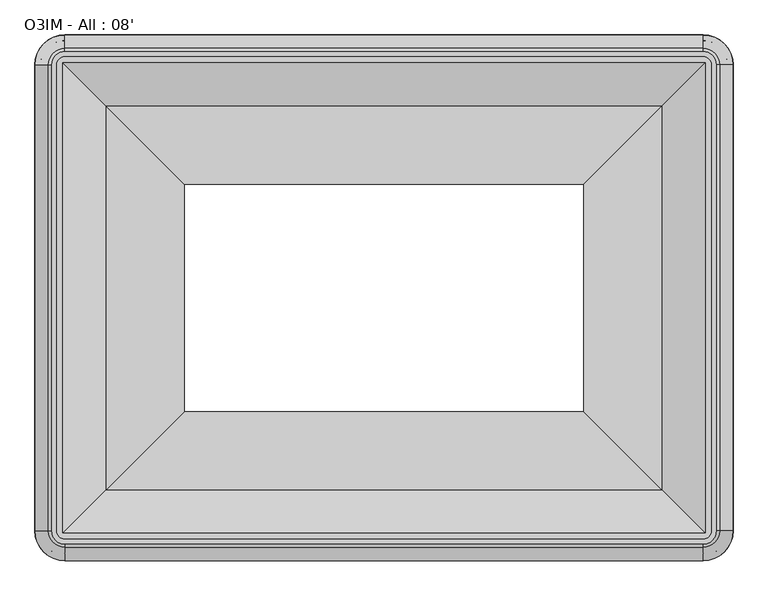
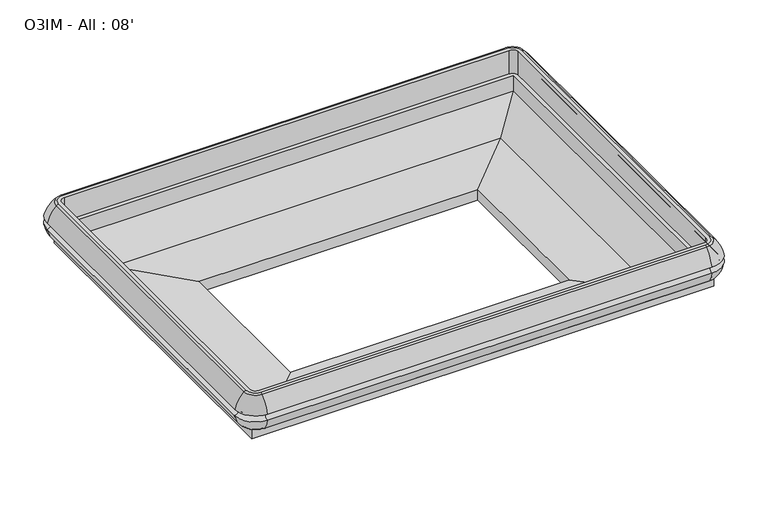
"""IFC4 building model written with IfcOpenShell, lengths in millimetres: proxy geometry, O3IM - All : 08'."""

from ifc_helpers import new_model, si_unit, point, frame, origin, place, context, project, spatial, polyline, circle_curve, ellipse_curve, trimmed, faceted_brep, source, transform, mapped, element, save
from ifc_brep_helpers import plane_surface, cylinder_surface, revolved_surface, advanced_brep


def o3im_all_08_80167665(model_context):
    return source(origin(), model_context, "Body", "SolidModel", [
        advanced_brep(
        [(2602.5474506, -2298.62165, 664.6065482), (2551.1627227, -2350.0063779, 664.6065482), (2551.1627227, -2360.7928007, 660.3792394), (2613.3338734, -2298.62165, 660.3792394), (2582.1161501, -2298.62165, 529.6852408), (2551.1627227, -2329.5750774, 529.6852408), (2551.1627227, -2329.5750774, 664.6065482), (2582.1161501, -2298.62165, 664.6065482), (2597.676808, -2298.62165, 475.7067482), (2551.1627227, -2345.1357353, 475.7067482), (2551.1627227, -2345.1357353, 529.6852408), (2597.676808, -2298.62165, 529.6852408), (2634.6137761, -2298.62165, 477.8552864), (2551.1627227, -2382.0727034, 477.8552864), (2551.1627227, -2377.311378, 475.7067482), (2629.8524507, -2298.62165, 475.7067482), (2664.7869771, -2298.62165, 541.7869334), (2551.1627227, -2412.2459044, 541.7869334), (2664.1308536, -2298.62165, 576.4502877), (2551.1627227, -2411.5897809, 576.4502877), (2613.3338734, -530.0462046, 660.3792394), (2602.5474506, -530.0462046, 664.6065482), (2582.1161501, -530.0462046, 664.6065482), (2582.1161501, -530.0462046, 529.6852408), (2597.676808, -530.0462046, 529.6852408), (2597.676808, -530.0462046, 475.7067482), (2629.8524507, -530.0462046, 475.7067482), (2634.6137761, -530.0462046, 477.8552864), (2664.7869771, -530.0462046, 541.7869334), (2664.1308536, -530.0462046, 576.4502877), (2551.1627227, -478.6614766, 664.6065482), (2551.1627227, -467.8750539, 660.3792394), (2551.1627227, -499.0927772, 529.6852408), (2551.1627227, -499.0927772, 664.6065482), (2551.1627227, -483.5321193, 475.7067482), (2551.1627227, -483.5321193, 529.6852408), (2551.1627227, -446.5951512, 477.8552864), (2551.1627227, -451.3564766, 475.7067482), (2551.1627227, -416.4219502, 541.7869334), (2551.1627227, -417.0780737, 576.4502877), (128.5372773, -467.8750539, 660.3792394), (128.5372773, -478.6614766, 664.6065482), (128.5372773, -499.0927772, 664.6065482), (128.5372773, -499.0927772, 529.6852408), (128.5372773, -483.5321193, 529.6852408), (128.5372773, -483.5321193, 475.7067482), (128.5372773, -451.3564766, 475.7067482), (128.5372773, -446.5951512, 477.8552864), (128.5372773, -416.4219502, 541.7869334), (128.5372773, -417.0780737, 576.4502877), (77.1525494, -530.0462046, 664.6065482), (66.3661266, -530.0462046, 660.3792394), (97.5838499, -530.0462046, 529.6852408), (97.5838499, -530.0462046, 664.6065482), (82.023192, -530.0462046, 475.7067482), (82.023192, -530.0462046, 529.6852408), (45.0862239, -530.0462046, 477.8552864), (49.8475493, -530.0462046, 475.7067482), (14.9130229, -530.0462046, 541.7869334), (15.5691464, -530.0462046, 576.4502877), (66.3661266, -2298.62165, 660.3792394), (77.1525494, -2298.62165, 664.6065482), (97.5838499, -2298.62165, 664.6065482), (97.5838499, -2298.62165, 529.6852408), (82.023192, -2298.62165, 529.6852408), (82.023192, -2298.62165, 475.7067482), (49.8475493, -2298.62165, 475.7067482), (45.0862239, -2298.62165, 477.8552864), (14.9130229, -2298.62165, 541.7869334), (15.5691464, -2298.62165, 576.4502877), (128.5372773, -2350.0063779, 664.6065482), (128.5372773, -2360.7928007, 660.3792394), (128.5372773, -2329.5750774, 529.6852408), (128.5372773, -2329.5750774, 664.6065482), (128.5372773, -2345.1357353, 475.7067482), (128.5372773, -2345.1357353, 529.6852408), (128.5372773, -2382.0727034, 477.8552864), (128.5372773, -2377.311378, 475.7067482), (128.5372773, -2412.2459044, 541.7869334), (128.5372773, -2411.5897809, 576.4502877)],
        [
            (0, 1, circle_curve(frame((2551.1627227, -2298.62165, 664.6065482), z_axis=(0.0, 0.0, -1.0), x_axis=(0.0, -1.0, 0.0)), 51.3847279)),
            (1, 2, circle_curve(frame((2551.1627227, -2350.0063779, 648.7315482), z_axis=(1.0, 0.0, 0.0), x_axis=(0.0, 1.0, 0.0)), 15.875)),
            (2, 3, circle_curve(frame((2551.1627227, -2298.62165, 660.3792394), z_axis=(0.0, 0.0, 1.0), x_axis=(0.0, -1.0, 0.0)), 62.1711507)),
            (3, 0, circle_curve(frame((2602.5474506, -2298.62165, 648.7315482), z_axis=(0.0, -1.0, 0.0), x_axis=(-1.0, 0.0, 0.0)), 15.875)),
            (4, 5, circle_curve(frame((2551.1627227, -2298.62165, 529.6852408), z_axis=(0.0, 0.0, -1.0), x_axis=(0.0, -1.0, 0.0)), 30.9534273)),
            (5, 6),
            (6, 7, circle_curve(frame((2551.1627227, -2298.62165, 664.6065482), z_axis=(0.0, 0.0, 1.0), x_axis=(0.0, -1.0, 0.0)), 30.9534273)),
            (7, 4),
            (8, 9, circle_curve(frame((2551.1627227, -2298.62165, 475.7067482), z_axis=(0.0, 0.0, -1.0), x_axis=(0.0, -1.0, 0.0)), 46.5140852)),
            (9, 10),
            (10, 11, circle_curve(frame((2551.1627227, -2298.62165, 529.6852408), z_axis=(0.0, 0.0, 1.0), x_axis=(0.0, -1.0, 0.0)), 46.5140852)),
            (11, 8),
            (12, 13, circle_curve(frame((2551.1627227, -2298.62165, 477.8552864), z_axis=(0.0, 0.0, -1.0), x_axis=(0.0, -1.0, 0.0)), 83.4510533)),
            (13, 14, circle_curve(frame((2551.1627227, -2377.311378, 482.0567481), z_axis=(1.0, 0.0, 0.0), x_axis=(0.0, 1.0, 0.0)), 6.35)),
            (14, 15, circle_curve(frame((2551.1627227, -2298.62165, 475.7067482), z_axis=(0.0, 0.0, 1.0), x_axis=(0.0, -1.0, 0.0)), 78.689728)),
            (15, 12, circle_curve(frame((2629.8524507, -2298.62165, 482.0567481), z_axis=(0.0, -1.0, 0.0), x_axis=(-1.0, 0.0, 0.0)), 6.35)),
            (16, 17, circle_curve(frame((2551.1627227, -2298.62165, 541.7869334), z_axis=(0.0, 0.0, -1.0), x_axis=(0.0, -1.0, 0.0)), 113.6242544)),
            (17, 13, circle_curve(frame((2551.1627227, -2286.8461955, 561.8845207), z_axis=(1.0, 0.0, 0.0), x_axis=(0.0, 1.0, 0.0)), 127.0)),
            (12, 16, circle_curve(frame((2539.3872682, -2298.62165, 561.8845207), z_axis=(0.0, -1.0, 0.0), x_axis=(-1.0, 0.0, 0.0)), 127.0)),
            (18, 19, circle_curve(frame((2551.1627227, -2298.62165, 576.4502877), z_axis=(0.0, 0.0, -1.0), x_axis=(0.0, -1.0, 0.0)), 112.9681309)),
            (19, 17, circle_curve(frame((2551.1627227, -2409.555689, 559.0738987), z_axis=(-1.0, 0.0, 0.0), x_axis=(0.0, 1.0, 0.0)), 17.49504)),
            (16, 18, circle_curve(frame((2662.0967617, -2298.62165, 559.0738987), z_axis=(0.0, 1.0, 0.0), x_axis=(-1.0, 0.0, 0.0)), 17.49504)),
            (2, 19, circle_curve(frame((2551.1627227, -2239.9848663, 529.9250981), z_axis=(1.0, 0.0, 0.0), x_axis=(0.0, 1.0, 0.0)), 177.7999999)),
            (18, 3, circle_curve(frame((2492.525939, -2298.62165, 529.9250981), z_axis=(0.0, -1.0, 0.0), x_axis=(-1.0, 0.0, 0.0)), 177.7999999)),
            (3, 20),
            (20, 21, circle_curve(frame((2602.5474506, -530.0462046, 648.7315482), z_axis=(0.0, -1.0, 0.0), x_axis=(-1.0, 0.0, 0.0)), 15.875)),
            (21, 0),
            (7, 22),
            (22, 23),
            (23, 4),
            (11, 24),
            (24, 25),
            (25, 8),
            (15, 26),
            (26, 27, circle_curve(frame((2629.8524507, -530.0462046, 482.0567481), z_axis=(0.0, -1.0, 0.0), x_axis=(-1.0, 0.0, 0.0)), 6.35)),
            (27, 12),
            (27, 28, circle_curve(frame((2539.3872682, -530.0462046, 561.8845207), z_axis=(0.0, -1.0, 0.0), x_axis=(-1.0, 0.0, 0.0)), 127.0)),
            (28, 16),
            (28, 29, circle_curve(frame((2662.0967617, -530.0462046, 559.0738987), z_axis=(0.0, 1.0, 0.0), x_axis=(-1.0, 0.0, 0.0)), 17.49504)),
            (29, 18),
            (29, 20, circle_curve(frame((2492.525939, -530.0462046, 529.9250981), z_axis=(0.0, -1.0, 0.0), x_axis=(-1.0, 0.0, 0.0)), 177.7999999)),
            (30, 21, circle_curve(frame((2551.1627227, -530.0462046, 664.6065482), z_axis=(0.0, 0.0, -1.0), x_axis=(1.0, 0.0, 0.0)), 51.3847279)),
            (20, 31, circle_curve(frame((2551.1627227, -530.0462046, 660.3792394), z_axis=(0.0, 0.0, 1.0), x_axis=(1.0, 0.0, 0.0)), 62.1711507)),
            (31, 30, circle_curve(frame((2551.1627227, -478.6614766, 648.7315482), z_axis=(1.0, 0.0, 0.0), x_axis=(0.0, -1.0, 0.0)), 15.875)),
            (32, 23, circle_curve(frame((2551.1627227, -530.0462046, 529.6852408), z_axis=(0.0, 0.0, -1.0), x_axis=(1.0, 0.0, 0.0)), 30.9534273)),
            (22, 33, circle_curve(frame((2551.1627227, -530.0462046, 664.6065482), z_axis=(0.0, 0.0, 1.0), x_axis=(1.0, 0.0, 0.0)), 30.9534273)),
            (33, 32),
            (34, 25, circle_curve(frame((2551.1627227, -530.0462046, 475.7067482), z_axis=(0.0, 0.0, -1.0), x_axis=(1.0, 0.0, 0.0)), 46.5140852)),
            (24, 35, circle_curve(frame((2551.1627227, -530.0462046, 529.6852408), z_axis=(0.0, 0.0, 1.0), x_axis=(1.0, 0.0, 0.0)), 46.5140852)),
            (35, 34),
            (36, 27, circle_curve(frame((2551.1627227, -530.0462046, 477.8552864), z_axis=(0.0, 0.0, -1.0), x_axis=(1.0, 0.0, 0.0)), 83.4510533)),
            (26, 37, circle_curve(frame((2551.1627227, -530.0462046, 475.7067482), z_axis=(0.0, 0.0, 1.0), x_axis=(1.0, 0.0, 0.0)), 78.689728)),
            (37, 36, circle_curve(frame((2551.1627227, -451.3564766, 482.0567481), z_axis=(1.0, 0.0, 0.0), x_axis=(0.0, -1.0, 0.0)), 6.35)),
            (38, 28, circle_curve(frame((2551.1627227, -530.0462046, 541.7869334), z_axis=(0.0, 0.0, -1.0), x_axis=(1.0, 0.0, 0.0)), 113.6242544)),
            (36, 38, circle_curve(frame((2551.1627227, -541.8216591, 561.8845207), z_axis=(1.0, 0.0, 0.0), x_axis=(0.0, -1.0, 0.0)), 127.0)),
            (39, 29, circle_curve(frame((2551.1627227, -530.0462046, 576.4502877), z_axis=(0.0, 0.0, -1.0), x_axis=(1.0, 0.0, 0.0)), 112.9681309)),
            (38, 39, circle_curve(frame((2551.1627227, -419.1121656, 559.0738987), z_axis=(-1.0, 0.0, 0.0), x_axis=(0.0, -1.0, 0.0)), 17.49504)),
            (39, 31, circle_curve(frame((2551.1627227, -588.6829883, 529.9250981), z_axis=(1.0, 0.0, 0.0), x_axis=(0.0, -1.0, 0.0)), 177.7999999)),
            (31, 40),
            (40, 41, circle_curve(frame((128.5372773, -478.6614766, 648.7315482), z_axis=(1.0, 0.0, 0.0), x_axis=(0.0, -1.0, 0.0)), 15.875)),
            (41, 30),
            (33, 42),
            (42, 43),
            (43, 32),
            (35, 44),
            (44, 45),
            (45, 34),
            (37, 46),
            (46, 47, circle_curve(frame((128.5372773, -451.3564766, 482.0567481), z_axis=(1.0, 0.0, 0.0), x_axis=(0.0, -1.0, 0.0)), 6.35)),
            (47, 36),
            (47, 48, circle_curve(frame((128.5372773, -541.8216591, 561.8845207), z_axis=(1.0, 0.0, 0.0), x_axis=(0.0, -1.0, 0.0)), 127.0)),
            (48, 38),
            (48, 49, circle_curve(frame((128.5372773, -419.1121656, 559.0738987), z_axis=(-1.0, 0.0, 0.0), x_axis=(0.0, -1.0, 0.0)), 17.49504)),
            (49, 39),
            (49, 40, circle_curve(frame((128.5372773, -588.6829883, 529.9250981), z_axis=(1.0, 0.0, 0.0), x_axis=(0.0, -1.0, 0.0)), 177.7999999)),
            (50, 41, circle_curve(frame((128.5372773, -530.0462046, 664.6065482), z_axis=(0.0, 0.0, -1.0), x_axis=(0.0, 1.0, 0.0)), 51.3847279)),
            (40, 51, circle_curve(frame((128.5372773, -530.0462046, 660.3792394), z_axis=(0.0, 0.0, 1.0), x_axis=(0.0, 1.0, 0.0)), 62.1711507)),
            (51, 50, circle_curve(frame((77.1525494, -530.0462046, 648.7315482), z_axis=(0.0, 1.0, 0.0), x_axis=(1.0, 0.0, 0.0)), 15.875)),
            (52, 43, circle_curve(frame((128.5372773, -530.0462046, 529.6852408), z_axis=(0.0, 0.0, -1.0), x_axis=(0.0, 1.0, 0.0)), 30.9534273)),
            (42, 53, circle_curve(frame((128.5372773, -530.0462046, 664.6065482), z_axis=(0.0, 0.0, 1.0), x_axis=(0.0, 1.0, 0.0)), 30.9534273)),
            (53, 52),
            (54, 45, circle_curve(frame((128.5372773, -530.0462046, 475.7067482), z_axis=(0.0, 0.0, -1.0), x_axis=(0.0, 1.0, 0.0)), 46.5140852)),
            (44, 55, circle_curve(frame((128.5372773, -530.0462046, 529.6852408), z_axis=(0.0, 0.0, 1.0), x_axis=(0.0, 1.0, 0.0)), 46.5140852)),
            (55, 54),
            (56, 47, circle_curve(frame((128.5372773, -530.0462046, 477.8552864), z_axis=(0.0, 0.0, -1.0), x_axis=(0.0, 1.0, 0.0)), 83.4510533)),
            (46, 57, circle_curve(frame((128.5372773, -530.0462046, 475.7067482), z_axis=(0.0, 0.0, 1.0), x_axis=(0.0, 1.0, 0.0)), 78.689728)),
            (57, 56, circle_curve(frame((49.8475493, -530.0462046, 482.0567481), z_axis=(0.0, 1.0, 0.0), x_axis=(1.0, 0.0, 0.0)), 6.35)),
            (58, 48, circle_curve(frame((128.5372773, -530.0462046, 541.7869334), z_axis=(0.0, 0.0, -1.0), x_axis=(0.0, 1.0, 0.0)), 113.6242544)),
            (56, 58, circle_curve(frame((140.3127318, -530.0462046, 561.8845207), z_axis=(0.0, 1.0, 0.0), x_axis=(1.0, 0.0, 0.0)), 127.0)),
            (59, 49, circle_curve(frame((128.5372773, -530.0462046, 576.4502877), z_axis=(0.0, 0.0, -1.0), x_axis=(0.0, 1.0, 0.0)), 112.9681309)),
            (58, 59, circle_curve(frame((17.6032383, -530.0462046, 559.0738987), z_axis=(0.0, -1.0, 0.0), x_axis=(1.0, 0.0, 0.0)), 17.49504)),
            (59, 51, circle_curve(frame((187.174061, -530.0462046, 529.9250981), z_axis=(0.0, 1.0, 0.0), x_axis=(1.0, 0.0, 0.0)), 177.7999999)),
            (51, 60),
            (60, 61, circle_curve(frame((77.1525494, -2298.62165, 648.7315482), z_axis=(0.0, 1.0, 0.0), x_axis=(1.0, 0.0, 0.0)), 15.875)),
            (61, 50),
            (53, 62),
            (62, 63),
            (63, 52),
            (55, 64),
            (64, 65),
            (65, 54),
            (57, 66),
            (66, 67, circle_curve(frame((49.8475493, -2298.62165, 482.0567481), z_axis=(0.0, 1.0, 0.0), x_axis=(1.0, 0.0, 0.0)), 6.35)),
            (67, 56),
            (67, 68, circle_curve(frame((140.3127318, -2298.62165, 561.8845207), z_axis=(0.0, 1.0, 0.0), x_axis=(1.0, 0.0, 0.0)), 127.0)),
            (68, 58),
            (68, 69, circle_curve(frame((17.6032383, -2298.62165, 559.0738987), z_axis=(0.0, -1.0, 0.0), x_axis=(1.0, 0.0, 0.0)), 17.49504)),
            (69, 59),
            (69, 60, circle_curve(frame((187.174061, -2298.62165, 529.9250981), z_axis=(0.0, 1.0, 0.0), x_axis=(1.0, 0.0, 0.0)), 177.7999999)),
            (70, 61, circle_curve(frame((128.5372773, -2298.62165, 664.6065482), z_axis=(0.0, 0.0, -1.0), x_axis=(-1.0, 0.0, 0.0)), 51.3847279)),
            (60, 71, circle_curve(frame((128.5372773, -2298.62165, 660.3792394), z_axis=(0.0, 0.0, 1.0), x_axis=(-1.0, 0.0, 0.0)), 62.1711507)),
            (71, 70, circle_curve(frame((128.5372773, -2350.0063779, 648.7315482), z_axis=(-1.0, 0.0, 0.0), x_axis=(0.0, 1.0, 0.0)), 15.875)),
            (72, 63, circle_curve(frame((128.5372773, -2298.62165, 529.6852408), z_axis=(0.0, 0.0, -1.0), x_axis=(-1.0, 0.0, 0.0)), 30.9534273)),
            (62, 73, circle_curve(frame((128.5372773, -2298.62165, 664.6065482), z_axis=(0.0, 0.0, 1.0), x_axis=(-1.0, 0.0, 0.0)), 30.9534273)),
            (73, 72),
            (74, 65, circle_curve(frame((128.5372773, -2298.62165, 475.7067482), z_axis=(0.0, 0.0, -1.0), x_axis=(-1.0, 0.0, 0.0)), 46.5140852)),
            (64, 75, circle_curve(frame((128.5372773, -2298.62165, 529.6852408), z_axis=(0.0, 0.0, 1.0), x_axis=(-1.0, 0.0, 0.0)), 46.5140852)),
            (75, 74),
            (76, 67, circle_curve(frame((128.5372773, -2298.62165, 477.8552864), z_axis=(0.0, 0.0, -1.0), x_axis=(-1.0, 0.0, 0.0)), 83.4510533)),
            (66, 77, circle_curve(frame((128.5372773, -2298.62165, 475.7067482), z_axis=(0.0, 0.0, 1.0), x_axis=(-1.0, 0.0, 0.0)), 78.689728)),
            (77, 76, circle_curve(frame((128.5372773, -2377.311378, 482.0567481), z_axis=(-1.0, 0.0, 0.0), x_axis=(0.0, 1.0, 0.0)), 6.35)),
            (78, 68, circle_curve(frame((128.5372773, -2298.62165, 541.7869334), z_axis=(0.0, 0.0, -1.0), x_axis=(-1.0, 0.0, 0.0)), 113.6242544)),
            (76, 78, circle_curve(frame((128.5372773, -2286.8461955, 561.8845207), z_axis=(-1.0, 0.0, 0.0), x_axis=(0.0, 1.0, 0.0)), 127.0)),
            (79, 69, circle_curve(frame((128.5372773, -2298.62165, 576.4502877), z_axis=(0.0, 0.0, -1.0), x_axis=(-1.0, 0.0, 0.0)), 112.9681309)),
            (78, 79, circle_curve(frame((128.5372773, -2409.555689, 559.0738987), z_axis=(1.0, 0.0, 0.0), x_axis=(0.0, 1.0, 0.0)), 17.49504)),
            (79, 71, circle_curve(frame((128.5372773, -2239.9848663, 529.9250981), z_axis=(-1.0, 0.0, 0.0), x_axis=(0.0, 1.0, 0.0)), 177.7999999)),
            (71, 2),
            (1, 70),
            (6, 73),
            (5, 72),
            (10, 75),
            (9, 74),
            (14, 77),
            (13, 76),
            (17, 78),
            (19, 79),
        ],
        [
            revolved_surface(trimmed(ellipse_curve(frame((2551.1627227, -2350.0063779, 648.7315482), z_axis=(-1.0, 0.0, 0.0), x_axis=(0.0, 1.0, 0.0)), 15.875, 15.875), [point((2551.1627227, -2360.7928007, 660.3792394))], [point((2551.1627227, -2350.0063779, 664.6065482))], True, "CARTESIAN"), (2551.1627227, -2298.62165, 0.0), (0.0, 0.0, 1.0)),
            revolved_surface(polyline([(2551.1627227, -2329.5750773, 664.6065482), (2551.1627227, -2329.5750773, 529.6852408)]), (2551.1627227, -2298.62165, 0.0), (0.0, 0.0, 1.0)),
            revolved_surface(polyline([(2551.1627227, -2345.1357352, 529.6852408), (2551.1627227, -2345.1357352, 475.7067482)]), (2551.1627227, -2298.62165, 0.0), (0.0, 0.0, 1.0)),
            revolved_surface(trimmed(ellipse_curve(frame((2551.1627227, -2377.311378, 482.0567481), z_axis=(-1.0, 0.0, 0.0), x_axis=(0.0, 1.0, 0.0)), 6.35, 6.35), [point((2551.1627227, -2377.311378, 475.7067482))], [point((2551.1627227, -2382.0727034, 477.8552864))], True, "CARTESIAN"), (2551.1627227, -2298.62165, 0.0), (0.0, 0.0, 1.0)),
            revolved_surface(trimmed(ellipse_curve(frame((2551.1627227, -2286.8461955, 561.8845207), z_axis=(-1.0, 0.0, 0.0), x_axis=(0.0, 1.0, 0.0)), 127.0, 127.0), [point((2551.1627227, -2382.0727034, 477.8552864))], [point((2551.1627227, -2412.2459044, 541.7869334))], True, "CARTESIAN"), (2551.1627227, -2298.62165, 0.0), (0.0, 0.0, 1.0)),
            revolved_surface(trimmed(ellipse_curve(frame((2551.1627227, -2409.555689, 559.0738987), z_axis=(1.0, 0.0, 0.0), x_axis=(0.0, 1.0, 0.0)), 17.49504, 17.49504), [point((2551.1627227, -2412.2459044, 541.7869334))], [point((2551.1627227, -2411.5897809, 576.4502877))], True, "CARTESIAN"), (2551.1627227, -2298.62165, 0.0), (0.0, 0.0, 1.0)),
            revolved_surface(trimmed(ellipse_curve(frame((2551.1627227, -2239.9848663, 529.9250981), z_axis=(-1.0, 0.0, 0.0), x_axis=(0.0, 1.0, 0.0)), 177.7999999, 177.7999999), [point((2551.1627227, -2411.5897809, 576.4502877))], [point((2551.1627227, -2360.7928007, 660.3792394))], True, "CARTESIAN"), (2551.1627227, -2298.62165, 0.0), (0.0, 0.0, 1.0)),
            cylinder_surface(frame((2602.5474506, -2298.62165, 648.7315482), z_axis=(0.0, -1.0, 0.0), x_axis=(-1.0, 0.0, 0.0)), 15.875),
            plane_surface(frame((2582.1161501, -2298.62165, 664.6065482), z_axis=(-1.0, 0.0, 0.0), x_axis=(0.0, 1.0, 0.0))),
            plane_surface(frame((2597.676808, -2298.62165, 529.6852408), z_axis=(-1.0, 0.0, 0.0), x_axis=(0.0, 1.0, 0.0))),
            cylinder_surface(frame((2629.8524507, -2298.62165, 482.0567481), z_axis=(0.0, -1.0, 0.0), x_axis=(-1.0, 0.0, 0.0)), 6.35),
            cylinder_surface(frame((2539.3872682, -2298.62165, 561.8845207), z_axis=(0.0, -1.0, 0.0), x_axis=(-1.0, 0.0, 0.0)), 127.0),
            revolved_surface(polyline([(2644.6017217000003, -530.0462046, 559.0738987), (2644.6017217000003, -2298.62165, 559.0738987)]), (2662.0967617, -2298.62165, 559.0738987), (0.0, 1.0, 0.0)),
            cylinder_surface(frame((2492.525939, -2298.62165, 529.9250981), z_axis=(0.0, -1.0, 0.0), x_axis=(-1.0, 0.0, 0.0)), 177.7999999),
            revolved_surface(trimmed(ellipse_curve(frame((2602.5474506, -530.0462046, 648.7315482), z_axis=(0.0, -1.0, 0.0), x_axis=(-1.0, 0.0, 0.0)), 15.875, 15.875), [point((2613.3338734, -530.0462046, 660.3792394))], [point((2602.5474506, -530.0462046, 664.6065482))], True, "CARTESIAN"), (2551.1627227, -530.0462046, 0.0), (0.0, 0.0, 1.0)),
            revolved_surface(polyline([(2582.11615, -530.0462046, 664.6065482), (2582.11615, -530.0462046, 529.6852408)]), (2551.1627227, -530.0462046, 0.0), (0.0, 0.0, 1.0)),
            revolved_surface(polyline([(2597.6768079, -530.0462046, 529.6852408), (2597.6768079, -530.0462046, 475.7067482)]), (2551.1627227, -530.0462046, 0.0), (0.0, 0.0, 1.0)),
            revolved_surface(trimmed(ellipse_curve(frame((2629.8524507, -530.0462046, 482.0567481), z_axis=(0.0, -1.0, 0.0), x_axis=(-1.0, 0.0, 0.0)), 6.35, 6.35), [point((2629.8524507, -530.0462046, 475.7067482))], [point((2634.6137761, -530.0462046, 477.8552864))], True, "CARTESIAN"), (2551.1627227, -530.0462046, 0.0), (0.0, 0.0, 1.0)),
            revolved_surface(trimmed(ellipse_curve(frame((2539.3872682, -530.0462046, 561.8845207), z_axis=(0.0, -1.0, 0.0), x_axis=(-1.0, 0.0, 0.0)), 127.0, 127.0), [point((2634.6137761, -530.0462046, 477.8552864))], [point((2664.7869771, -530.0462046, 541.7869334))], True, "CARTESIAN"), (2551.1627227, -530.0462046, 0.0), (0.0, 0.0, 1.0)),
            revolved_surface(trimmed(ellipse_curve(frame((2662.0967617, -530.0462046, 559.0738987), z_axis=(0.0, 1.0, 0.0), x_axis=(-1.0, 0.0, 0.0)), 17.49504, 17.49504), [point((2664.7869771, -530.0462046, 541.7869334))], [point((2664.1308536, -530.0462046, 576.4502877))], True, "CARTESIAN"), (2551.1627227, -530.0462046, 0.0), (0.0, 0.0, 1.0)),
            revolved_surface(trimmed(ellipse_curve(frame((2492.525939, -530.0462046, 529.9250981), z_axis=(0.0, -1.0, 0.0), x_axis=(-1.0, 0.0, 0.0)), 177.7999999, 177.7999999), [point((2664.1308536, -530.0462046, 576.4502877))], [point((2613.3338734, -530.0462046, 660.3792394))], True, "CARTESIAN"), (2551.1627227, -530.0462046, 0.0), (0.0, 0.0, 1.0)),
            cylinder_surface(frame((2551.1627227, -478.6614766, 648.7315482), z_axis=(1.0, 0.0, 0.0), x_axis=(0.0, -1.0, 0.0)), 15.875),
            plane_surface(frame((2551.1627227, -499.0927772, 664.6065482), z_axis=(0.0, -1.0, 0.0), x_axis=(-1.0, 0.0, 0.0))),
            plane_surface(frame((2551.1627227, -483.5321193, 529.6852408), z_axis=(0.0, -1.0, 0.0), x_axis=(-1.0, 0.0, 0.0))),
            cylinder_surface(frame((2551.1627227, -451.3564766, 482.0567481), z_axis=(1.0, 0.0, 0.0), x_axis=(0.0, -1.0, 0.0)), 6.35),
            cylinder_surface(frame((2551.1627227, -541.8216591, 561.8845207), z_axis=(1.0, 0.0, 0.0), x_axis=(0.0, -1.0, 0.0)), 127.0),
            revolved_surface(polyline([(128.53727729999991, -436.60720560000004, 559.0738987), (2551.1627227, -436.60720560000004, 559.0738987)]), (2551.1627227, -419.1121656, 559.0738987), (-1.0, 0.0, 0.0)),
            cylinder_surface(frame((2551.1627227, -588.6829883, 529.9250981), z_axis=(1.0, 0.0, 0.0), x_axis=(0.0, -1.0, 0.0)), 177.7999999),
            revolved_surface(trimmed(ellipse_curve(frame((128.5372773, -478.6614766, 648.7315482), z_axis=(1.0, 0.0, 0.0), x_axis=(0.0, -1.0, 0.0)), 15.875, 15.875), [point((128.5372773, -467.8750539, 660.3792394))], [point((128.5372773, -478.6614766, 664.6065482))], True, "CARTESIAN"), (128.5372773, -530.0462046, 0.0), (0.0, 0.0, 1.0)),
            revolved_surface(polyline([(128.5372773, -499.0927773, 664.6065482), (128.5372773, -499.0927773, 529.6852408)]), (128.5372773, -530.0462046, 0.0), (0.0, 0.0, 1.0)),
            revolved_surface(polyline([(128.5372773, -483.5321194, 529.6852408), (128.5372773, -483.5321194, 475.7067482)]), (128.5372773, -530.0462046, 0.0), (0.0, 0.0, 1.0)),
            revolved_surface(trimmed(ellipse_curve(frame((128.5372773, -451.3564766, 482.0567481), z_axis=(1.0, 0.0, 0.0), x_axis=(0.0, -1.0, 0.0)), 6.35, 6.35), [point((128.5372773, -451.3564766, 475.7067482))], [point((128.5372773, -446.5951512, 477.8552864))], True, "CARTESIAN"), (128.5372773, -530.0462046, 0.0), (0.0, 0.0, 1.0)),
            revolved_surface(trimmed(ellipse_curve(frame((128.5372773, -541.8216591, 561.8845207), z_axis=(1.0, 0.0, 0.0), x_axis=(0.0, -1.0, 0.0)), 127.0, 127.0), [point((128.5372773, -446.5951512, 477.8552864))], [point((128.5372773, -416.4219502, 541.7869334))], True, "CARTESIAN"), (128.5372773, -530.0462046, 0.0), (0.0, 0.0, 1.0)),
            revolved_surface(trimmed(ellipse_curve(frame((128.5372773, -419.1121656, 559.0738987), z_axis=(-1.0, 0.0, 0.0), x_axis=(0.0, -1.0, 0.0)), 17.49504, 17.49504), [point((128.5372773, -416.4219502, 541.7869334))], [point((128.5372773, -417.0780737, 576.4502877))], True, "CARTESIAN"), (128.5372773, -530.0462046, 0.0), (0.0, 0.0, 1.0)),
            revolved_surface(trimmed(ellipse_curve(frame((128.5372773, -588.6829883, 529.9250981), z_axis=(1.0, 0.0, 0.0), x_axis=(0.0, -1.0, 0.0)), 177.7999999, 177.7999999), [point((128.5372773, -417.0780737, 576.4502877))], [point((128.5372773, -467.8750539, 660.3792394))], True, "CARTESIAN"), (128.5372773, -530.0462046, 0.0), (0.0, 0.0, 1.0)),
            cylinder_surface(frame((77.1525494, -530.0462046, 648.7315482), z_axis=(0.0, 1.0, 0.0), x_axis=(1.0, 0.0, 0.0)), 15.875),
            plane_surface(frame((97.5838499, -530.0462046, 664.6065482), z_axis=(1.0, 0.0, 0.0), x_axis=(0.0, -1.0, 0.0))),
            plane_surface(frame((82.023192, -530.0462046, 529.6852408), z_axis=(1.0, 0.0, 0.0), x_axis=(0.0, -1.0, 0.0))),
            cylinder_surface(frame((49.8475493, -530.0462046, 482.0567481), z_axis=(0.0, 1.0, 0.0), x_axis=(1.0, 0.0, 0.0)), 6.35),
            cylinder_surface(frame((140.3127318, -530.0462046, 561.8845207), z_axis=(0.0, 1.0, 0.0), x_axis=(1.0, 0.0, 0.0)), 127.0),
            revolved_surface(polyline([(35.098278300000004, -2298.62165, 559.0738987), (35.098278300000004, -530.0462046, 559.0738987)]), (17.6032383, -530.0462046, 559.0738987), (0.0, -1.0, 0.0)),
            cylinder_surface(frame((187.174061, -530.0462046, 529.9250981), z_axis=(0.0, 1.0, 0.0), x_axis=(1.0, 0.0, 0.0)), 177.7999999),
            revolved_surface(trimmed(ellipse_curve(frame((77.1525494, -2298.62165, 648.7315482), z_axis=(0.0, 1.0, 0.0), x_axis=(1.0, 0.0, 0.0)), 15.875, 15.875), [point((66.3661266, -2298.62165, 660.3792394))], [point((77.1525494, -2298.62165, 664.6065482))], True, "CARTESIAN"), (128.5372773, -2298.62165, 0.0), (0.0, 0.0, 1.0)),
            revolved_surface(polyline([(97.58385, -2298.62165, 664.6065482), (97.58385, -2298.62165, 529.6852408)]), (128.5372773, -2298.62165, 0.0), (0.0, 0.0, 1.0)),
            revolved_surface(polyline([(82.0231921, -2298.62165, 529.6852408), (82.0231921, -2298.62165, 475.7067482)]), (128.5372773, -2298.62165, 0.0), (0.0, 0.0, 1.0)),
            revolved_surface(trimmed(ellipse_curve(frame((49.8475493, -2298.62165, 482.0567481), z_axis=(0.0, 1.0, 0.0), x_axis=(1.0, 0.0, 0.0)), 6.35, 6.35), [point((49.8475493, -2298.62165, 475.7067482))], [point((45.0862239, -2298.62165, 477.8552864))], True, "CARTESIAN"), (128.5372773, -2298.62165, 0.0), (0.0, 0.0, 1.0)),
            revolved_surface(trimmed(ellipse_curve(frame((140.3127318, -2298.62165, 561.8845207), z_axis=(0.0, 1.0, 0.0), x_axis=(1.0, 0.0, 0.0)), 127.0, 127.0), [point((45.0862239, -2298.62165, 477.8552864))], [point((14.9130229, -2298.62165, 541.7869334))], True, "CARTESIAN"), (128.5372773, -2298.62165, 0.0), (0.0, 0.0, 1.0)),
            revolved_surface(trimmed(ellipse_curve(frame((17.6032383, -2298.62165, 559.0738987), z_axis=(0.0, -1.0, 0.0), x_axis=(1.0, 0.0, 0.0)), 17.49504, 17.49504), [point((14.9130229, -2298.62165, 541.7869334))], [point((15.5691464, -2298.62165, 576.4502877))], True, "CARTESIAN"), (128.5372773, -2298.62165, 0.0), (0.0, 0.0, 1.0)),
            revolved_surface(trimmed(ellipse_curve(frame((187.174061, -2298.62165, 529.9250981), z_axis=(0.0, 1.0, 0.0), x_axis=(1.0, 0.0, 0.0)), 177.7999999, 177.7999999), [point((15.5691464, -2298.62165, 576.4502877))], [point((66.3661266, -2298.62165, 660.3792394))], True, "CARTESIAN"), (128.5372773, -2298.62165, 0.0), (0.0, 0.0, 1.0)),
            cylinder_surface(frame((128.5372773, -2350.0063779, 648.7315482), z_axis=(-1.0, 0.0, 0.0), x_axis=(0.0, 1.0, 0.0)), 15.875),
            plane_surface(frame((128.5372773, -2350.0063779, 664.6065482), z_axis=(0.0, 0.0, 1.0), x_axis=(1.0, 0.0, 0.0))),
            plane_surface(frame((128.5372773, -2329.5750774, 664.6065482), z_axis=(0.0, 1.0, 0.0), x_axis=(1.0, 0.0, 0.0))),
            plane_surface(frame((128.5372773, -2329.5750774, 529.6852408), z_axis=(0.0, 0.0, -1.0), x_axis=(1.0, 0.0, 0.0))),
            plane_surface(frame((128.5372773, -2345.1357353, 529.6852408), z_axis=(0.0, 1.0, 0.0), x_axis=(1.0, 0.0, 0.0))),
            plane_surface(frame((128.5372773, -2345.1357353, 475.7067482), z_axis=(0.0, 0.0, -1.0), x_axis=(1.0, 0.0, 0.0))),
            cylinder_surface(frame((128.5372773, -2377.311378, 482.0567481), z_axis=(-1.0, 0.0, 0.0), x_axis=(0.0, 1.0, 0.0)), 6.35),
            cylinder_surface(frame((128.5372773, -2286.8461955, 561.8845207), z_axis=(-1.0, 0.0, 0.0), x_axis=(0.0, 1.0, 0.0)), 127.0),
            revolved_surface(polyline([(2551.1627227, -2392.060649, 559.0738987), (128.5372773, -2392.060649, 559.0738987)]), (128.5372773, -2409.555689, 559.0738987), (1.0, 0.0, 0.0)),
            cylinder_surface(frame((128.5372773, -2239.9848663, 529.9250981), z_axis=(-1.0, 0.0, 0.0), x_axis=(0.0, 1.0, 0.0)), 177.7999999),
        ],
        [
            (0, [[1, 2, 3, 4]]),
            (1, [[5, 6, 7, 8]]),
            (2, [[9, 10, 11, 12]]),
            (3, [[13, 14, 15, 16]]),
            (4, [[17, 18, -13, 19]]),
            (5, [[20, 21, -17, 22]]),
            (6, [[-3, 23, -20, 24]]),
            (7, [[-4, 25, 26, 27]]),
            (8, [[-8, 28, 29, 30]]),
            (9, [[-12, 31, 32, 33]]),
            (10, [[-16, 34, 35, 36]]),
            (11, [[-19, -36, 37, 38]]),
            (12, [[-22, -38, 39, 40]]),
            (13, [[-24, -40, 41, -25]]),
            (14, [[42, -26, 43, 44]]),
            (15, [[45, -29, 46, 47]]),
            (16, [[48, -32, 49, 50]]),
            (17, [[51, -35, 52, 53]]),
            (18, [[54, -37, -51, 55]]),
            (19, [[56, -39, -54, 57]]),
            (20, [[-43, -41, -56, 58]]),
            (21, [[-44, 59, 60, 61]]),
            (22, [[-47, 62, 63, 64]]),
            (23, [[-50, 65, 66, 67]]),
            (24, [[-53, 68, 69, 70]]),
            (25, [[-55, -70, 71, 72]]),
            (26, [[-57, -72, 73, 74]]),
            (27, [[-58, -74, 75, -59]]),
            (28, [[76, -60, 77, 78]]),
            (29, [[79, -63, 80, 81]]),
            (30, [[82, -66, 83, 84]]),
            (31, [[85, -69, 86, 87]]),
            (32, [[88, -71, -85, 89]]),
            (33, [[90, -73, -88, 91]]),
            (34, [[-77, -75, -90, 92]]),
            (35, [[-78, 93, 94, 95]]),
            (36, [[-81, 96, 97, 98]]),
            (37, [[-84, 99, 100, 101]]),
            (38, [[-87, 102, 103, 104]]),
            (39, [[-89, -104, 105, 106]]),
            (40, [[-91, -106, 107, 108]]),
            (41, [[-92, -108, 109, -93]]),
            (42, [[110, -94, 111, 112]]),
            (43, [[113, -97, 114, 115]]),
            (44, [[116, -100, 117, 118]]),
            (45, [[119, -103, 120, 121]]),
            (46, [[122, -105, -119, 123]]),
            (47, [[124, -107, -122, 125]]),
            (48, [[-111, -109, -124, 126]]),
            (49, [[-112, 127, -2, 128]]),
            (50, [[-95, -110, -128, -1, -27, -42, -61, -76], [129, -114, -96, -80, -62, -46, -28, -7]]),
            (51, [[-115, -129, -6, 130]]),
            (52, [[131, -117, -99, -83, -65, -49, -31, -11], [-98, -113, -130, -5, -30, -45, -64, -79]]),
            (53, [[-118, -131, -10, 132]]),
            (54, [[133, -120, -102, -86, -68, -52, -34, -15], [-101, -116, -132, -9, -33, -48, -67, -82]]),
            (55, [[-121, -133, -14, 134]]),
            (56, [[-123, -134, -18, 135]]),
            (57, [[-125, -135, -21, 136]]),
            (58, [[-126, -136, -23, -127]]),
        ],
    ),
        faceted_brep([(2396.487379, -2143.9463063, 326.7908623), (2559.335508, -2306.7944353, 440.8183498), (2559.335508, -521.8734193, 440.8183498), (2396.487379, -684.7215483, 326.7908623), (2098.6616974, -1846.1206247, 316.0110717), (2098.6616974, -982.5472299, 316.0110717), (2098.6616974, -1846.1206247, 254.0), (2098.6616974, -982.5472299, 254.0), (2597.676808, -2345.1357353, 409.2323342), (2375.9820592, -2123.4409865, 254.0), (2375.9820592, -705.2268681, 254.0), (2597.676808, -483.5321193, 409.2323342), (2597.676808, -2345.1357353, 529.6852408), (2597.676808, -483.5321193, 529.6852408), (2559.335508, -2306.7944353, 529.6852408), (2559.335508, -521.8734193, 529.6852408), (120.364492, -521.8734193, 440.8183498), (283.212621, -684.7215483, 326.7908623), (581.0383026, -982.5472299, 316.0110717), (581.0383026, -982.5472299, 254.0), (303.7179408, -705.2268681, 254.0), (82.023192, -483.5321193, 409.2323342), (82.023192, -483.5321193, 529.6852408), (120.364492, -521.8734193, 529.6852408), (120.364492, -2306.7944353, 440.8183498), (283.212621, -2143.9463063, 326.7908623), (581.0383026, -1846.1206247, 316.0110717), (581.0383026, -1846.1206247, 254.0), (303.7179408, -2123.4409865, 254.0), (82.023192, -2345.1357353, 409.2323342), (82.023192, -2345.1357353, 529.6852408), (120.364492, -2306.7944353, 529.6852408)], [[[0, 1, 2, 3]], [[4, 0, 3, 5]], [[6, 4, 5, 7]], [[8, 9, 10, 11]], [[12, 8, 11, 13]], [[1, 14, 15, 2]], [[3, 2, 16, 17]], [[5, 3, 17, 18]], [[7, 5, 18, 19]], [[11, 10, 20, 21]], [[13, 11, 21, 22]], [[2, 15, 23, 16]], [[17, 16, 24, 25]], [[18, 17, 25, 26]], [[19, 18, 26, 27]], [[21, 20, 28, 29]], [[22, 21, 29, 30]], [[16, 23, 31, 24]], [[25, 24, 1, 0]], [[26, 25, 0, 4]], [[27, 26, 4, 6]], [[9, 28, 20, 10], [7, 19, 27, 6]], [[29, 28, 9, 8]], [[30, 29, 8, 12]], [[13, 22, 30, 12], [14, 31, 23, 15]], [[24, 31, 14, 1]]]),
    ])


if __name__ == "__main__":
    model = new_model("IFC4")
    model_context = context("Model", 3, world=origin())
    ifc_project = project(units=[si_unit("LENGTHUNIT", "METRE", prefix="MILLI")], contexts=[model_context])
    site = spatial("IfcSite", under=ifc_project)
    building = spatial("IfcBuilding", under=site)
    placement = place(None, origin())
    o3im_all_08_shape = o3im_all_08_80167665(model_context)
    element("IfcBuildingElementProxy", 1, Name="O3IM - All : 08'", ObjectType="O3IM - All : 08'", at=placement, inside=building, context=model_context, shape_type="MappedRepresentation", body=[
        mapped(o3im_all_08_shape, transform((0.0, 0.0, 0.0), x_axis=(1.0, 0.0, 0.0), y_axis=(0.0, 1.0, 0.0), z_axis=(0.0, 0.0, 1.0))),
    ])
    save(model, "model.ifc")
